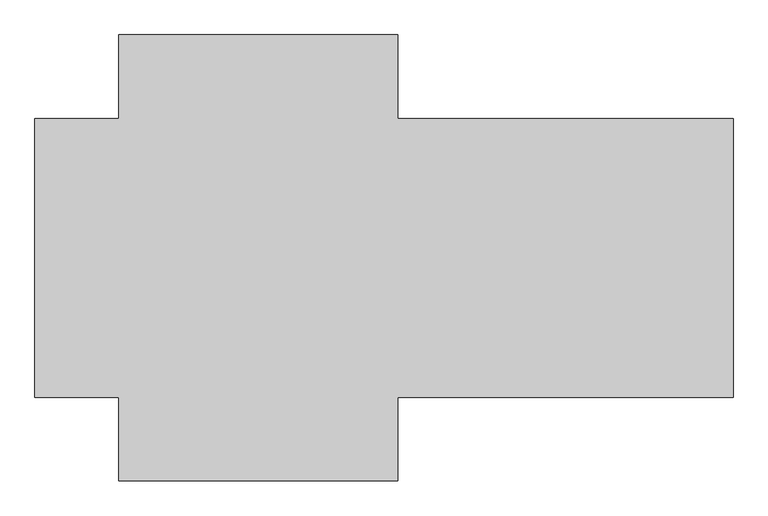
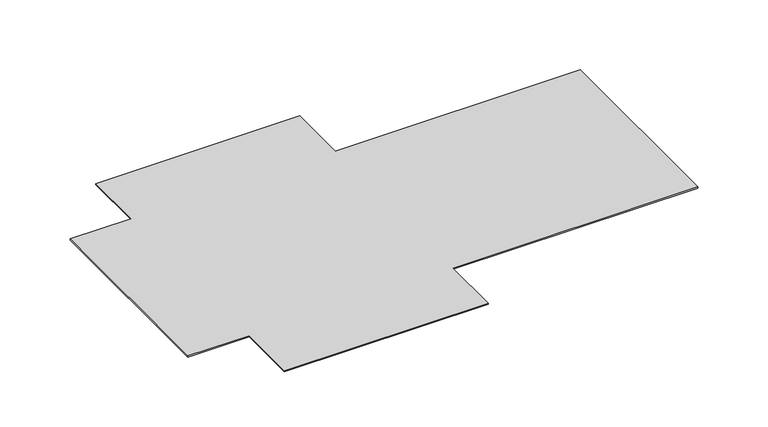
"""IFC4 building model written with IfcOpenShell, lengths in millimetres: furniture geometry."""

from ifc_helpers import new_model, si_unit, origin, origin_with_axes, place, context, project, spatial, polyline, outline, extrude, source, transform, mapped, element, save


def furniture_57526969(model_context):
    return source(origin(), model_context, "Body", "SweptSolid", [
        extrude(outline(polyline([(-299.0453125, 574.5757812), (0.6945313, 574.5757812), (0.6945313, 874.315625), (1001.4148438, 874.315625), (1001.4148438, 574.5757812), (2202.8546875, 574.5757812), (2202.8546875, -426.1445313), (1001.4148438, -426.1445313), (1001.4148437, -725.884375), (0.6945312, -725.884375), (0.6945312, -426.1445313), (-299.0453125, -426.1445313), (-299.0453125, 574.5757812)])), origin_with_axes(), (0.0, 0.0, 1.0), 6.35),
    ])


if __name__ == "__main__":
    model = new_model("IFC4")
    model_context = context("Model", 3, world=origin())
    ifc_project = project(units=[si_unit("LENGTHUNIT", "METRE", prefix="MILLI")], contexts=[model_context])
    site = spatial("IfcSite", under=ifc_project)
    building = spatial("IfcBuilding", under=site)
    placement = place(None, origin())
    furniture_shape = furniture_57526969(model_context)
    element("IfcFurniture", 1, at=placement, inside=building, context=model_context, shape_type="MappedRepresentation", body=[
        mapped(furniture_shape, transform((0.0, 0.0, 0.0), x_axis=(1.0, 0.0, 0.0), y_axis=(0.0, 1.0, 0.0), z_axis=(0.0, 0.0, 1.0))),
    ])
    save(model, "model.ifc")
